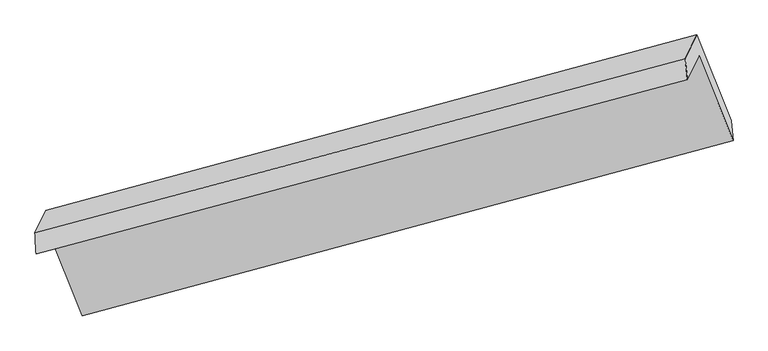
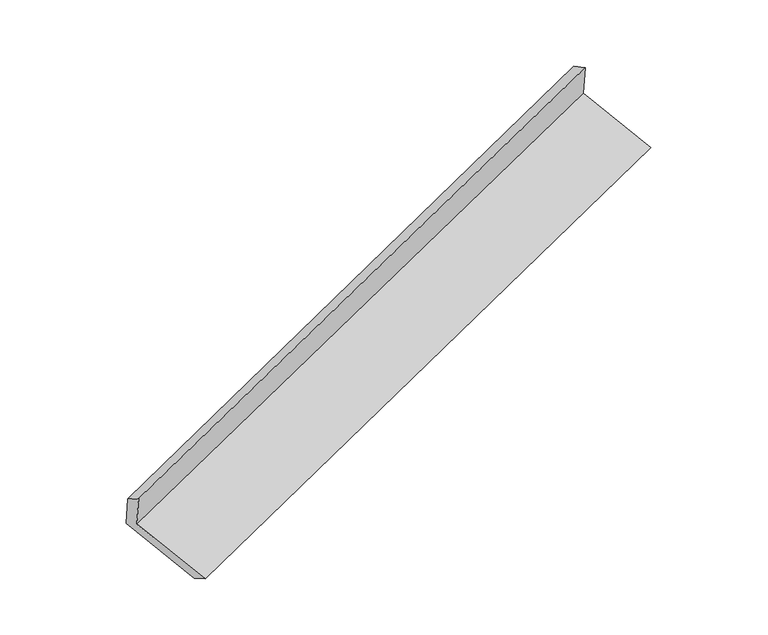
"""IFC4 building model written with IfcOpenShell, lengths in millimetres: proxy geometry."""

from ifc_helpers import new_model, si_unit, frame, origin, place, context, project, spatial, source, transform, mapped, element, save
from ifc_brep_helpers import plane_surface, spline_surface, advanced_brep


def generic_models_75596dcb(model_context):
    return source(origin(), model_context, "Body", "AdvancedBrep", [
        advanced_brep(
        [(-5216.5145121, -2086.5167833, 1490.8656312), (-5137.1279653, -1924.2887435, 1137.1405807), (-675.8197743, -729.2291379, 2697.7077428), (-755.2063211, -891.4571777, 3051.4327933), (-5224.6035974, -1943.6580416, 1402.4456902), (-770.8213265, -747.9877816, 2984.0601236), (-5149.0429193, -1789.2482431, 1065.7676792), (-691.263007, -585.408721, 2629.5697006), (-4913.1971647, -2376.1366927, 849.535375), (-455.4172524, -1172.2971706, 2413.3373965), (-4900.4986172, -2513.1271198, 920.1898485), (-442.718705, -1309.2875977, 2483.99187)],
        [
            (0, 1),
            (1, 2),
            (2, 3),
            (3, 0),
            (4, 0),
            (3, 5),
            (5, 4),
            (6, 4),
            (5, 7),
            (7, 6),
            (8, 6),
            (7, 9),
            (9, 8),
            (10, 8),
            (9, 11),
            (11, 10),
            (1, 10),
            (11, 2),
        ],
        [
            plane_surface(frame((-5176.8212387, -2005.4027634, 1314.003106), z_axis=(0.3490748793380746, -0.8790081454557176, -0.3247944101083159), x_axis=(0.19988206569943132, 0.4084631085899902, -0.8906205975232833))),
            spline_surface(1, 1, [[(-5224.6035974, -1943.6580416, 1402.4456902), (-770.8213265, -747.9877816, 2984.0601236)], [(-5216.5145121, -2086.5167833, 1490.8656312), (-755.2063211, -891.4571777, 3051.4327933)]], [2, 2], [2, 2], [0.0, 1.0], [0.0, 1.0]),
            plane_surface(frame((-5186.8232583, -1866.4531423, 1234.1066847), z_axis=(-0.3509521070270786, 0.8785017493929883, 0.3241408565526929), x_axis=(-0.19988206569940825, -0.4084631085899879, 0.8906205975232896))),
            plane_surface(frame((-5031.120042, -2082.6924679, 957.6515271), z_axis=(0.2017566697197432, 0.408974193103244, -0.8899631203590118), x_axis=(-0.35282787384517333, 0.8779916526794715, 0.3234859336401888))),
            plane_surface(frame((-4906.847891, -2444.6319062, 884.8626118), z_axis=(0.3969381176428429, -0.3913962097268229, -0.8302102973184766), x_axis=(-0.08210626912066396, 0.8857527166654741, -0.45683770147703173))),
            plane_surface(frame((-5018.8132912, -2218.7079317, 1028.6652146), z_axis=(-0.20175666971973522, -0.40897419310325694, 0.8899631203590078), x_axis=(0.35282787384516345, -0.8779916526794689, -0.3234859336402072))),
            plane_surface(frame((-631.8743977, -905.9445977, 2710.0166045), z_axis=(0.9140895203696575, 0.24957673518615747, 0.3196119553524058), x_axis=(-0.35282787384517333, 0.8779916526794715, 0.3234859336401888))),
            plane_surface(frame((-5090.1641293, -2105.4959373, 1144.3241341), z_axis=(-0.9140895203696784, -0.2495767351861028, -0.3196119553523885), x_axis=(-0.19988206569940964, -0.4084631085899915, 0.8906205975232876))),
        ],
        [
            (0, [[1, 2, 3, 4]]),
            (1, [[5, -4, 6, 7]]),
            (2, [[8, -7, 9, 10]]),
            (3, [[11, -10, 12, 13]]),
            (4, [[14, -13, 15, 16]]),
            (5, [[17, -16, 18, -2]]),
            (6, [[-12, -9, -6, -3, -18, -15]]),
            (7, [[-1, -5, -8, -11, -14, -17]]),
        ],
    ),
    ])


if __name__ == "__main__":
    model = new_model("IFC4")
    model_context = context("Model", 3, world=origin())
    ifc_project = project(units=[si_unit("LENGTHUNIT", "METRE", prefix="MILLI")], contexts=[model_context])
    site = spatial("IfcSite", under=ifc_project)
    building = spatial("IfcBuilding", under=site)
    placement = place(None, origin())
    generic_models_shape = generic_models_75596dcb(model_context)
    element("IfcBuildingElementProxy", 1, Name="Generic Models", at=placement, inside=building, context=model_context, shape_type="MappedRepresentation", body=[
        mapped(generic_models_shape, transform((0.0, 0.0, 0.0), x_axis=(1.0, 0.0, 0.0), y_axis=(0.0, 1.0, 0.0), z_axis=(0.0, 0.0, 1.0))),
    ])
    save(model, "model.ifc")
